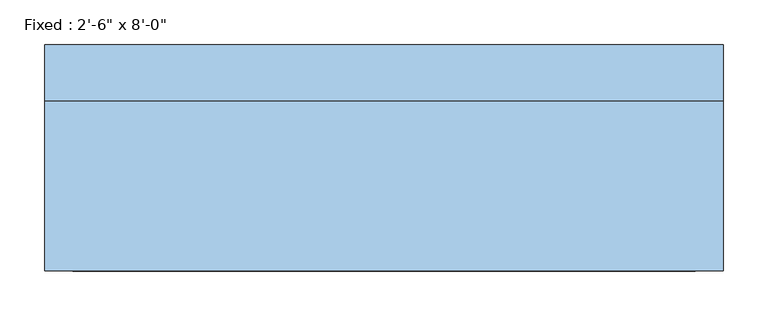
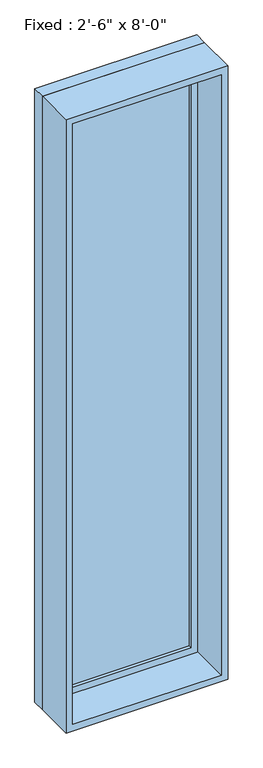
"""IFC4 building model written with IfcOpenShell, lengths in millimetres: window geometry."""

from ifc_helpers import new_model, si_unit, frame, origin, place, context, project, spatial, polyline, outline, extrude, source, transform, mapped, element, save


def window_1cb694a1(model_context):
    return source(origin(), model_context, "Body", "SweptSolid", [
        extrude(outline(polyline([(279.4, 79.375), (-355.6, 79.375), (-355.6, 92.075), (279.4, 92.075), (279.4, 79.375)])), frame((0.0, 0.0, 292.1), z_axis=(0.0, 0.0, 1.0), x_axis=(1.0, 0.0, 0.0)), (0.0, 0.0, 1.0), 2921.0),
        extrude(outline(polyline([(3257.55, -400.05), (247.65, -400.05), (247.65, 323.85), (3257.55, 323.85), (3257.55, -400.05)]), holes=[polyline([(3213.1, -355.6), (3213.1, 279.4), (292.1, 279.4), (292.1, -355.6), (3213.1, -355.6)])]), frame((0.0, 63.5, 0.0), z_axis=(0.0, 1.0, 0.0), x_axis=(0.0, 0.0, 1.0)), (0.0, 0.0, 1.0), 44.45),
        extrude(outline(polyline([(3276.6, -419.1), (228.6, -419.1), (228.6, 342.9), (3276.6, 342.9), (3276.6, -419.1)]), holes=[polyline([(3244.85, -387.35), (3244.85, 311.15), (260.35, 311.15), (260.35, -387.35), (3244.85, -387.35)])]), frame((0.0, -127.0, 0.0), z_axis=(0.0, 1.0, 0.0), x_axis=(0.0, 0.0, 1.0)), (0.0, 0.0, 1.0), 190.5),
        extrude(outline(polyline([(3276.6, 342.9), (3276.6, -419.1), (228.6, -419.1), (228.6, 342.9), (3276.6, 342.9)]), holes=[polyline([(3257.55, 323.85), (247.65, 323.85), (247.65, -400.05), (3257.55, -400.05), (3257.55, 323.85)])]), frame((0.0, 63.5, 0.0), z_axis=(0.0, 1.0, 0.0), x_axis=(0.0, 0.0, 1.0)), (0.0, 0.0, 1.0), 63.5),
    ])


if __name__ == "__main__":
    model = new_model("IFC4")
    model_context = context("Model", 3, world=origin())
    ifc_project = project(units=[si_unit("LENGTHUNIT", "METRE", prefix="MILLI")], contexts=[model_context])
    site = spatial("IfcSite", under=ifc_project)
    building = spatial("IfcBuilding", under=site)
    placement = place(None, origin())
    window_shape = window_1cb694a1(model_context)
    element("IfcWindow", 1, ObjectType="Fixed : 2'-6\" x 8'-0\"", at=placement, inside=building, context=model_context, shape_type="MappedRepresentation", body=[
        mapped(window_shape, transform((0.0, 0.0, 0.0), x_axis=(1.0, 0.0, 0.0), y_axis=(0.0, 1.0, 0.0), z_axis=(0.0, 0.0, 1.0))),
    ])
    save(model, "model.ifc")
